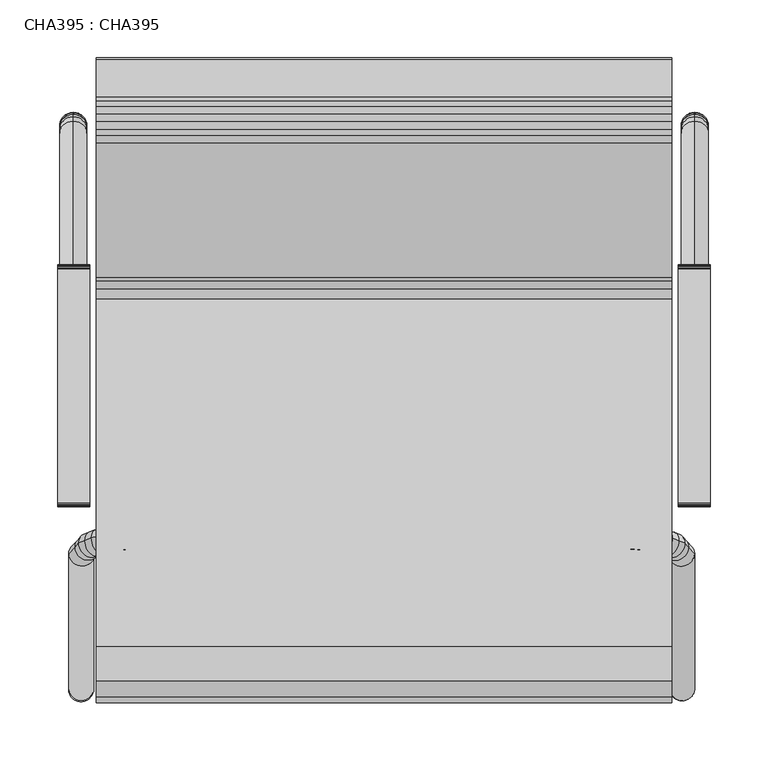
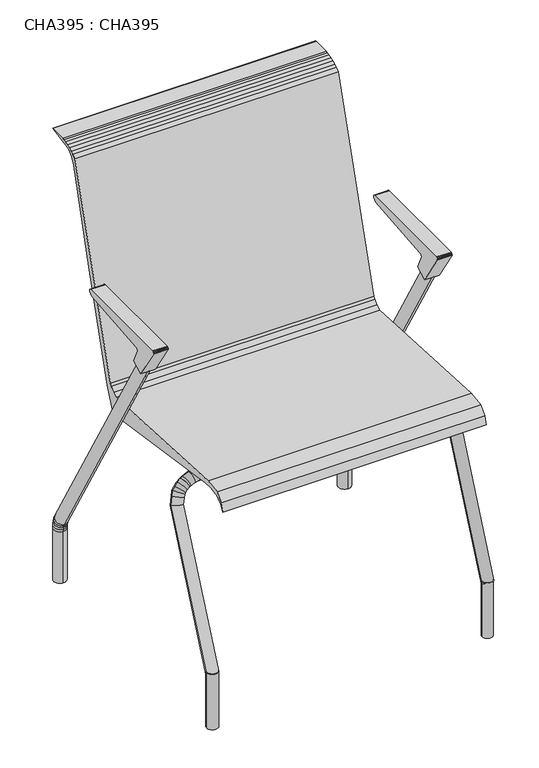
"""IFC4 building model written with IfcOpenShell, lengths in millimetres: proxy geometry, CHA395 : CHA395."""

from ifc_helpers import new_model, si_unit, point, frame, frame_2d, origin, origin_with_axes, place, context, project, spatial, polyline, circle_curve, ellipse_curve, trimmed, segment, composite_curve, outline, extrude, source, transform, mapped, element, save
from ifc_brep_helpers import plane_surface, cylinder_surface, advanced_brep


def cha395_cha395_3f4ad33f(model_context):
    return source(origin(), model_context, "Body", "SolidModel", [
        extrude(outline(composite_curve([segment(trimmed(circle_curve(frame_2d((111.8394753, -414.0151741)), 10.0), [point((101.8394753, -414.0151741))], [point((121.8394753, -414.0151741))], False, "CARTESIAN"), True, "CONTINUOUS"), segment(trimmed(circle_curve(frame_2d((111.8394753, -414.0151741)), 10.0), [point((121.8394753, -414.0151741))], [point((101.8394753, -414.0151741))], False, "CARTESIAN"), True, "CONTINUOUS")], self_intersect=False)), frame((0.0, 0.0, 400.2739092), z_axis=(0.0, 0.0, 1.0), x_axis=(1.0, 0.0, 0.0)), (0.0, 0.0, 1.0), 40.6292476),
        extrude(outline(composite_curve([segment(trimmed(circle_curve(frame_2d((435.0512571, -414.0151741)), 10.0), [point((425.0512571, -414.0151741))], [point((445.0512571, -414.0151741))], False, "CARTESIAN"), True, "CONTINUOUS"), segment(trimmed(circle_curve(frame_2d((435.0512571, -414.0151741)), 10.0), [point((445.0512571, -414.0151741))], [point((425.0512571, -414.0151741))], False, "CARTESIAN"), True, "CONTINUOUS")], self_intersect=False)), frame((0.0, 0.0, 400.2739092), z_axis=(0.0, 0.0, 1.0), x_axis=(1.0, 0.0, 0.0)), (0.0, 0.0, 1.0), 40.6292476),
        extrude(outline(polyline([(-387.6784376, 651.5712615), (-387.6784376, 652.4841024), (-387.3038356, 653.8821361), (-386.4541188, 655.0956575), (-385.3757191, 655.7959784), (-384.1378955, 656.0142401), (-182.5201165, 656.0142401), (-181.5379537, 655.8201439), (-180.4066456, 655.1080507), (-179.5915245, 654.0311543), (-179.2626747, 652.7468576), (-179.2090079, 651.7197401), (-179.8984248, 651.2889446), (-186.602485, 644.5848844), (-329.8258983, 631.5995293), (-332.3579088, 630.9210791), (-335.0999856, 629.6424277), (-335.7955056, 627.0467118), (-323.1169577, 599.8574782), (-345.6475804, 586.8494171), (-387.6784376, 651.5712615)])), frame((-5.5358439, 0.0, 0.0), z_axis=(1.0, 0.0, 0.0), x_axis=(0.0, 1.0, 0.0)), (0.0, 0.0, 1.0), 27.5109316),
        extrude(outline(polyline([(-387.6784376, 651.5712615), (-387.6784376, 652.4841024), (-387.3038356, 653.8821361), (-386.4541188, 655.0956575), (-385.3757191, 655.7959784), (-384.1378955, 656.0142401), (-182.5201165, 656.0142401), (-181.5379537, 655.8201439), (-180.4066456, 655.1080507), (-179.5915245, 654.0311543), (-179.2626747, 652.7468576), (-179.2090079, 651.7197401), (-179.8984248, 651.2889446), (-186.602485, 644.5848844), (-329.8258983, 631.5995293), (-332.3579088, 630.9210791), (-335.0999856, 629.6424277), (-335.7955056, 627.0467118), (-323.1169577, 599.8574782), (-345.6475804, 586.8494171), (-387.6784376, 651.5712615)])), frame((529.0605387, 0.0, 0.0), z_axis=(1.0, 0.0, 0.0), x_axis=(0.0, 1.0, 0.0)), (0.0, 0.0, 1.0), 27.5109316),
        extrude(outline(composite_curve([segment(trimmed(circle_curve(frame_2d((14.2086526, -545.115929)), 10.5972743), [point((3.6113782, -545.115929))], [point((24.8059269, -545.115929))], False, "CARTESIAN"), True, "CONTINUOUS"), segment(trimmed(circle_curve(frame_2d((14.2086526, -545.115929)), 10.5972743), [point((24.8059269, -545.115929))], [point((3.6113782, -545.115929))], False, "CARTESIAN"), True, "CONTINUOUS")], self_intersect=False)), origin_with_axes(), (0.0, 0.0, 1.0), 110.3968067),
        extrude(outline(composite_curve([segment(trimmed(circle_curve(frame_2d((532.177769, -544.8152212)), 10.0), [point((522.177769, -544.8152212))], [point((542.177769, -544.8152212))], False, "CARTESIAN"), True, "CONTINUOUS"), segment(trimmed(circle_curve(frame_2d((532.177769, -544.8152212)), 10.0), [point((542.177769, -544.8152212))], [point((522.177769, -544.8152212))], False, "CARTESIAN"), True, "CONTINUOUS")], self_intersect=False)), origin_with_axes(), (0.0, 0.0, 1.0), 110.3968067),
        advanced_brep(
        [(3.6127414, -544.9917249, 106.1664764), (25.2849357, -544.9917249, 106.1664764), (3.6127414, -428.1335099, 371.794054), (25.2849357, -429.6723345, 368.2961889), (8.7203208, -422.4826214, 384.6389517), (29.0855219, -425.4674682, 377.8541687), (11.9602614, -418.8980382, 392.7869808), (30.6821891, -423.7009585, 381.8695791), (17.1944814, -416.7902865, 397.5780601), (32.5190369, -422.961284, 383.5509153), (22.9055434, -414.4905168, 402.805611), (36.2125829, -421.4739415, 386.9317575), (30.5640939, -412.7099698, 406.8529292), (41.4001911, -420.2678673, 389.6732555), (34.4773244, -411.8001775, 408.9209561), (43.6713756, -419.7398365, 390.8735096), (46.7210949, -410.0056565, 413.0000382), (52.3516976, -418.4675961, 393.7654085), (59.1008175, -409.1266397, 414.99811), (60.9968888, -417.8537481, 395.1607315), (273.4453662, -409.1266397, 414.99811), (273.4453662, -417.8537481, 395.1607315), (487.7899149, -409.1266397, 414.99811), (485.8938436, -417.8537481, 395.1607315), (500.1696375, -410.0056565, 413.0000382), (494.5390348, -418.4675961, 393.7654085), (512.4134081, -411.8001775, 408.9209561), (503.2193568, -419.7398365, 390.8735096), (516.3266385, -412.7099698, 406.8529292), (505.4905413, -420.2678673, 389.6732555), (523.985189, -414.4905168, 402.805611), (510.6781495, -421.4739415, 386.9317575), (529.696251, -416.7902865, 397.5780601), (514.3716955, -422.961284, 383.5509153), (534.930471, -418.8980382, 392.7869808), (516.2085433, -423.7009585, 381.8695791), (538.1704116, -422.4826214, 384.6389517), (517.8052105, -425.4674682, 377.8541687), (543.277991, -428.1335099, 371.794054), (521.6057967, -429.6723345, 368.2961889), (543.277991, -544.9917249, 106.1664764), (521.6057967, -544.9917249, 106.1664764)],
        [
            (0, 1, circle_curve(frame((14.4488386, -544.9917249, 106.1664764), z_axis=(0.0, -0.40268688098062316, -0.9153377933233706), x_axis=(1.0, 0.0, 0.0)), 10.8360971)),
            (1, 0, circle_curve(frame((14.4488386, -544.9917249, 106.1664764), z_axis=(0.0, -0.40268688098062316, -0.9153377933233706), x_axis=(1.0, 0.0, 0.0)), 10.8360971)),
            (0, 2),
            (2, 3, ellipse_curve(frame((14.4488386, -428.9029222, 370.0451214), z_axis=(-0.17364817766693091, -0.39656916242602075, -0.901431755489942), x_axis=(0.9848077530122084, -0.06992584305267159, -0.15894673976026855)), 11.0032614, 10.8360971)),
            (3, 1),
            (3, 2, ellipse_curve(frame((14.4488386, -428.9029222, 370.0451214), z_axis=(-0.17364817766693091, -0.39656916242602075, -0.901431755489942), x_axis=(0.9848077530122084, -0.06992584305267159, -0.15894673976026855)), 11.0032614, 10.8360971)),
            (2, 4),
            (4, 5, circle_curve(frame((18.9029214, -423.9750448, 381.2465602), z_axis=(-0.34202014332566866, -0.37840189054478257, -0.8601361699124295), x_axis=(0.9396926207859084, -0.13772702474836454, -0.3130639632638581)), 10.8360971)),
            (5, 3),
            (5, 4, circle_curve(frame((18.9029214, -423.9750448, 381.2465602), z_axis=(-0.34202014332566866, -0.37840189054478257, -0.8601361699124295), x_axis=(0.9396926207859084, -0.13772702474836454, -0.3130639632638581)), 10.8360971)),
            (4, 6),
            (6, 7, ellipse_curve(frame((21.3212252, -421.2994984, 387.3282799), z_axis=(-0.5372996083468234, -0.3396226707601259, -0.7719880649181756), x_axis=(0.843391445812886, -0.2163635034372997, -0.49181063785768925)), 11.0991923, 10.8360971)),
            (7, 5),
            (7, 6, ellipse_curve(frame((21.3212252, -421.2994984, 387.3282799), z_axis=(-0.5372996083468234, -0.3396226707601259, -0.7719880649181756), x_axis=(0.843391445812886, -0.2163635034372997, -0.49181063785768925)), 11.0991923, 10.8360971)),
            (6, 8),
            (8, 9, circle_curve(frame((24.8567591, -419.8757853, 390.5644877), z_axis=(-0.7071067811865455, -0.2847426242362548, -0.6472415607352899), x_axis=(0.7071067811865496, -0.2847426242362617, -0.6472415607352823)), 10.8360971)),
            (9, 7),
            (9, 8, circle_curve(frame((24.8567591, -419.8757853, 390.5644877), z_axis=(-0.7071067811865455, -0.2847426242362548, -0.6472415607352899), x_axis=(0.7071067811865496, -0.2847426242362617, -0.6472415607352823)), 10.8360971)),
            (8, 10),
            (10, 11, ellipse_curve(frame((29.5590631, -417.9822291, 394.8686843), z_axis=(-0.7933533402912336, -0.24514024110882496, -0.5572223430892281), x_axis=(0.6087614290087241, -0.31947298211744185, -0.7261862958278991)), 10.9296014, 10.8360971)),
            (11, 9),
            (11, 10, ellipse_curve(frame((29.5590631, -417.9822291, 394.8686843), z_axis=(-0.7933533402912336, -0.24514024110882496, -0.5572223430892281), x_axis=(0.6087614290087241, -0.31947298211744185, -0.7261862958278991)), 10.9296014, 10.8360971)),
            (10, 12),
            (12, 13, circle_curve(frame((35.9821425, -416.4889186, 398.2630924), z_axis=(-0.866025403784437, -0.20134344049030725, -0.45766889666169025), x_axis=(0.5000000000000028, -0.348737068699942, -0.7927057820620265)), 10.8360971)),
            (13, 11),
            (13, 12, circle_curve(frame((35.9821425, -416.4889186, 398.2630924), z_axis=(-0.866025403784437, -0.20134344049030725, -0.45766889666169025), x_axis=(0.5000000000000028, -0.348737068699942, -0.7927057820620265)), 10.8360971)),
            (12, 14),
            (14, 15, ellipse_curve(frame((39.07435, -415.770007, 399.8972329), z_axis=(-0.90630778703665, -0.17018282966580953, -0.3868384671198925), x_axis=(0.4226182617406987, -0.3649582559702482, -0.829577769857911)), 10.8774893, 10.8360971)),
            (15, 13),
            (15, 14, ellipse_curve(frame((39.07435, -415.770007, 399.8972329), z_axis=(-0.90630778703665, -0.17018282966580953, -0.3868384671198925), x_axis=(0.4226182617406987, -0.3649582559702482, -0.829577769857911)), 10.8774893, 10.8360971)),
            (14, 16),
            (16, 17, ellipse_curve(frame((49.5363963, -414.2366263, 403.3827233), z_axis=(-0.9659258262890679, -0.10422303401071223, -0.23690685361420732), x_axis=(0.2588190451025222, -0.3889656582469731, -0.8841484143494901)), 10.8774893, 10.8360971)),
            (17, 15),
            (17, 16, ellipse_curve(frame((49.5363963, -414.2366263, 403.3827233), z_axis=(-0.9659258262890679, -0.10422303401071223, -0.23690685361420732), x_axis=(0.2588190451025222, -0.3889656582469731, -0.8841484143494901)), 10.8774893, 10.8360971)),
            (16, 18),
            (18, 19, ellipse_curve(frame((60.0488532, -413.4901939, 405.0794207), z_axis=(-0.9961946980917454, -0.035096474206598796, -0.07977694524210394), x_axis=(0.08715574274765721, -0.401154535823999, -0.9118546566717396)), 10.8774893, 10.8360971)),
            (19, 17),
            (19, 18, ellipse_curve(frame((60.0488532, -413.4901939, 405.0794207), z_axis=(-0.9961946980917454, -0.035096474206598796, -0.07977694524210394), x_axis=(0.08715574274765721, -0.401154535823999, -0.9118546566717396)), 10.8774893, 10.8360971)),
            (18, 20),
            (20, 21, circle_curve(frame((273.4453662, -413.4901939, 405.0794207), z_axis=(-1.0, 0.0, 0.0), x_axis=(0.0, -0.4026868809806225, -0.915337793323371)), 10.8360971)),
            (21, 19),
            (21, 20, circle_curve(frame((273.4453662, -413.4901939, 405.0794207), z_axis=(-1.0, 0.0, 0.0), x_axis=(0.0, -0.4026868809806225, -0.915337793323371)), 10.8360971)),
            (20, 22),
            (22, 23, ellipse_curve(frame((486.8418792, -413.4901939, 405.0794207), z_axis=(-0.9961946980917449, 0.03509647420661226, 0.07977694524210434), x_axis=(-0.08715574274766612, -0.40115453582399785, -0.9118546566717393)), 10.8774893, 10.8360971)),
            (23, 21),
            (23, 22, ellipse_curve(frame((486.8418792, -413.4901939, 405.0794207), z_axis=(-0.9961946980917449, 0.03509647420661226, 0.07977694524210434), x_axis=(-0.08715574274766612, -0.40115453582399785, -0.9118546566717393)), 10.8774893, 10.8360971)),
            (22, 24),
            (24, 25, ellipse_curve(frame((497.3543361, -414.2366263, 403.3827233), z_axis=(-0.9659258262890663, 0.10422303401072526, 0.23690685361420777), x_axis=(-0.25881904510252857, -0.38896565824696916, -0.8841484143494899)), 10.8774893, 10.8360971)),
            (25, 23),
            (25, 24, ellipse_curve(frame((497.3543361, -414.2366263, 403.3827233), z_axis=(-0.9659258262890663, 0.10422303401072526, 0.23690685361420777), x_axis=(-0.25881904510252857, -0.38896565824696916, -0.8841484143494899)), 10.8774893, 10.8360971)),
            (24, 26),
            (26, 27, ellipse_curve(frame((507.8163825, -415.770007, 399.8972329), z_axis=(-0.9063077870366476, 0.17018282966582174, 0.38683846711989306), x_axis=(-0.4226182617407027, -0.3649582559702427, -0.8295777698579114)), 10.8774893, 10.8360971)),
            (27, 25),
            (27, 26, ellipse_curve(frame((507.8163825, -415.770007, 399.8972329), z_axis=(-0.9063077870366476, 0.17018282966582174, 0.38683846711989306), x_axis=(-0.4226182617407027, -0.3649582559702427, -0.8295777698579114)), 10.8774893, 10.8360971)),
            (26, 28),
            (28, 29, circle_curve(frame((510.9085899, -416.4889186, 398.2630924), z_axis=(-0.866025403784437, 0.20134344049031783, 0.45766889666168564), x_axis=(-0.5000000000000028, -0.3487370686999362, -0.792705782062029)), 10.8360971)),
            (29, 27),
            (29, 28, circle_curve(frame((510.9085899, -416.4889186, 398.2630924), z_axis=(-0.866025403784437, 0.20134344049031783, 0.45766889666168564), x_axis=(-0.5000000000000028, -0.3487370686999362, -0.792705782062029)), 10.8360971)),
            (28, 30),
            (30, 31, ellipse_curve(frame((517.3316693, -417.9822291, 394.8686843), z_axis=(-0.79335334029123, 0.24514024110883548, 0.5572223430892286), x_axis=(-0.608761429008727, -0.31947298211743314, -0.7261862958279003)), 10.9296014, 10.8360971)),
            (31, 29),
            (31, 30, ellipse_curve(frame((517.3316693, -417.9822291, 394.8686843), z_axis=(-0.79335334029123, 0.24514024110883548, 0.5572223430892286), x_axis=(-0.608761429008727, -0.31947298211743314, -0.7261862958279003)), 10.9296014, 10.8360971)),
            (30, 32),
            (32, 33, circle_curve(frame((522.0339733, -419.8757853, 390.5644877), z_axis=(-0.707106781186542, 0.28474262423626495, 0.6472415607352893), x_axis=(-0.7071067811865531, -0.28474262423625196, -0.6472415607352828)), 10.8360971)),
            (33, 31),
            (33, 32, circle_curve(frame((522.0339733, -419.8757853, 390.5644877), z_axis=(-0.707106781186542, 0.28474262423626495, 0.6472415607352893), x_axis=(-0.7071067811865531, -0.28474262423625196, -0.6472415607352828)), 10.8360971)),
            (32, 34),
            (34, 35, ellipse_curve(frame((525.5695072, -421.2994984, 387.3282799), z_axis=(-0.5372996083468184, 0.3396226707601329, 0.7719880649181758), x_axis=(-0.8433914458128896, -0.21636350343728797, -0.49181063785768825)), 11.0991923, 10.8360971)),
            (35, 33),
            (35, 34, ellipse_curve(frame((525.5695072, -421.2994984, 387.3282799), z_axis=(-0.5372996083468184, 0.3396226707601329, 0.7719880649181758), x_axis=(-0.8433914458128896, -0.21636350343728797, -0.49181063785768825)), 11.0991923, 10.8360971)),
            (34, 36),
            (36, 37, circle_curve(frame((527.9878111, -423.9750448, 381.2465602), z_axis=(-0.34202014332566505, 0.37840189054478734, 0.8601361699124288), x_axis=(-0.9396926207859098, -0.13772702474835194, -0.31306396326385966)), 10.8360971)),
            (37, 35),
            (37, 36, circle_curve(frame((527.9878111, -423.9750448, 381.2465602), z_axis=(-0.34202014332566505, 0.37840189054478734, 0.8601361699124288), x_axis=(-0.9396926207859098, -0.13772702474835194, -0.31306396326385966)), 10.8360971)),
            (36, 38),
            (38, 39, ellipse_curve(frame((532.4418938, -428.9029222, 370.0451214), z_axis=(-0.17364817766692486, 0.39656916242602247, 0.9014317554899424), x_axis=(-0.984807753012209, -0.06992584305265814, -0.1589467397602704)), 11.0032614, 10.8360971)),
            (39, 37),
            (39, 38, ellipse_curve(frame((532.4418938, -428.9029222, 370.0451214), z_axis=(-0.17364817766692486, 0.39656916242602247, 0.9014317554899424), x_axis=(-0.984807753012209, -0.06992584305265814, -0.1589467397602704)), 11.0032614, 10.8360971)),
            (40, 41, circle_curve(frame((532.4418938, -544.9917249, 106.1664764), z_axis=(0.0, -0.40268688098062244, -0.915337793323371), x_axis=(-1.0, 0.0, 0.0)), 10.8360971)),
            (41, 40, circle_curve(frame((532.4418938, -544.9917249, 106.1664764), z_axis=(0.0, -0.40268688098062244, -0.915337793323371), x_axis=(-1.0, 0.0, 0.0)), 10.8360971)),
            (38, 40),
            (41, 39),
        ],
        [
            plane_surface(frame((14.4488386, -777.5071949, 208.4575978), z_axis=(0.0, -0.40268688098062316, -0.9153377933233706), x_axis=(0.0, 0.9153377933233706, -0.40268688098062316))),
            cylinder_surface(frame((14.4488386, -544.9917249, 106.1664764), z_axis=(0.0, -0.40268688098062316, -0.9153377933233706), x_axis=(1.0, 0.0, 0.0)), 10.8360971),
            cylinder_surface(frame((14.4488386, -428.9029222, 370.0451214), z_axis=(-0.34202014332566866, -0.37840189054478257, -0.8601361699124295), x_axis=(0.9396926207859084, -0.13772702474836454, -0.3130639632638581)), 10.8360971),
            cylinder_surface(frame((18.9029214, -423.9750448, 381.2465602), z_axis=(-0.3420201433256706, -0.37840189054478296, -0.8601361699124285), x_axis=(0.9396926207859078, -0.13772702474836532, -0.3130639632638599)), 10.8360971),
            cylinder_surface(frame((21.3212252, -421.2994984, 387.3282799), z_axis=(-0.7071067811865455, -0.2847426242362548, -0.6472415607352899), x_axis=(0.7071067811865496, -0.2847426242362617, -0.6472415607352823)), 10.8360971),
            cylinder_surface(frame((24.8567591, -419.8757853, 390.5644877), z_axis=(-0.707106781186546, -0.2847426242362556, -0.6472415607352889), x_axis=(0.707106781186549, -0.28474262423626184, -0.6472415607352828)), 10.8360971),
            cylinder_surface(frame((29.5590631, -417.9822291, 394.8686843), z_axis=(-0.866025403784437, -0.20134344049030725, -0.45766889666169025), x_axis=(0.5000000000000028, -0.348737068699942, -0.7927057820620265)), 10.8360971),
            cylinder_surface(frame((35.9821425, -416.4889186, 398.2630924), z_axis=(-0.8660254037844402, -0.20134344049030622, -0.4576688966616852), x_axis=(0.4999999999999978, -0.3487370686999433, -0.7927057820620294)), 10.8360971),
            cylinder_surface(frame((39.07435, -415.770007, 399.8972329), z_axis=(-0.9396926207859075, -0.13772702474835405, -0.313063963263865), x_axis=(0.3420201433256707, -0.37840189054478607, -0.8601361699124269)), 10.8360971),
            cylinder_surface(frame((49.5363963, -414.2366263, 403.3827233), z_axis=(-0.9848077530122079, -0.06992584305266032, -0.15894673976027623), x_axis=(0.17364817766693166, -0.39656916242602225, -0.9014317554899411)), 10.8360971),
            cylinder_surface(frame((60.0488532, -413.4901939, 405.0794207), z_axis=(-1.0000000000000002, 0.0, 0.0), x_axis=(0.0, -0.4026868809806225, -0.915337793323371)), 10.8360971),
            cylinder_surface(frame((273.4453662, -413.4901939, 405.0794207), z_axis=(-1.0000000000000002, 0.0, 0.0), x_axis=(0.0, -0.4026868809806225, -0.915337793323371)), 10.8360971),
            cylinder_surface(frame((486.8418792, -413.4901939, 405.0794207), z_axis=(-0.9848077530122069, 0.06992584305267364, 0.15894673976027665), x_axis=(-0.1736481776669374, -0.3965691624260198, -0.901431755489941)), 10.8360971),
            cylinder_surface(frame((497.3543361, -414.2366263, 403.3827233), z_axis=(-0.9396926207859058, 0.13772702474836673, 0.31306396326386554), x_axis=(-0.34202014332567626, -0.3784018905447812, -0.8601361699124269)), 10.8360971),
            cylinder_surface(frame((507.8163825, -415.770007, 399.8972329), z_axis=(-0.866025403784437, 0.20134344049031783, 0.45766889666168564), x_axis=(-0.5000000000000028, -0.3487370686999362, -0.792705782062029)), 10.8360971),
            cylinder_surface(frame((510.9085899, -416.4889186, 398.2630924), z_axis=(-0.8660254037844342, 0.2013434404903189, 0.45766889666169086), x_axis=(-0.500000000000008, -0.348737068699935, -0.7927057820620264)), 10.8360971),
            cylinder_surface(frame((517.3316693, -417.9822291, 394.8686843), z_axis=(-0.707106781186542, 0.28474262423626495, 0.6472415607352893), x_axis=(-0.7071067811865531, -0.28474262423625196, -0.6472415607352828)), 10.8360971),
            cylinder_surface(frame((522.0339733, -419.8757853, 390.5644877), z_axis=(-0.7071067811865414, 0.28474262423626406, 0.6472415607352902), x_axis=(-0.7071067811865537, -0.28474262423625174, -0.6472415607352823)), 10.8360971),
            cylinder_surface(frame((525.5695072, -421.2994984, 387.3282799), z_axis=(-0.34202014332566505, 0.37840189054478734, 0.8601361699124288), x_axis=(-0.9396926207859098, -0.13772702474835194, -0.31306396326385966)), 10.8360971),
            cylinder_surface(frame((527.9878111, -423.9750448, 381.2465602), z_axis=(-0.34202014332566294, 0.3784018905447868, 0.8601361699124298), x_axis=(-0.9396926207859105, -0.13772702474835113, -0.31306396326385777)), 10.8360971),
            plane_surface(frame((532.4418938, -777.5071949, 208.4575978), z_axis=(0.0, -0.40268688098062244, -0.9153377933233708), x_axis=(0.0, 0.9153377933233708, -0.40268688098062244))),
            cylinder_surface(frame((532.4418938, -428.9029222, 370.0451214), z_axis=(0.0, 0.40268688098062244, 0.915337793323371), x_axis=(-1.0, 0.0, 0.0)), 10.8360971),
        ],
        [
            (0, [[1, 2]]),
            (1, [[-1, 3, 4, 5]]),
            (1, [[-2, -5, 6, -3]]),
            (2, [[-4, 7, 8, 9]]),
            (2, [[-6, -9, 10, -7]]),
            (3, [[-8, 11, 12, 13]]),
            (3, [[-10, -13, 14, -11]]),
            (4, [[-12, 15, 16, 17]]),
            (4, [[-14, -17, 18, -15]]),
            (5, [[-16, 19, 20, 21]]),
            (5, [[-18, -21, 22, -19]]),
            (6, [[-20, 23, 24, 25]]),
            (6, [[-22, -25, 26, -23]]),
            (7, [[-24, 27, 28, 29]]),
            (7, [[-26, -29, 30, -27]]),
            (8, [[-28, 31, 32, 33]]),
            (8, [[-30, -33, 34, -31]]),
            (9, [[-32, 35, 36, 37]]),
            (9, [[-34, -37, 38, -35]]),
            (10, [[-36, 39, 40, 41]]),
            (10, [[-38, -41, 42, -39]]),
            (11, [[-40, 43, 44, 45]]),
            (11, [[-42, -45, 46, -43]]),
            (12, [[-44, 47, 48, 49]]),
            (12, [[-46, -49, 50, -47]]),
            (13, [[-48, 51, 52, 53]]),
            (13, [[-50, -53, 54, -51]]),
            (14, [[-52, 55, 56, 57]]),
            (14, [[-54, -57, 58, -55]]),
            (15, [[-56, 59, 60, 61]]),
            (15, [[-58, -61, 62, -59]]),
            (16, [[-60, 63, 64, 65]]),
            (16, [[-62, -65, 66, -63]]),
            (17, [[-64, 67, 68, 69]]),
            (17, [[-66, -69, 70, -67]]),
            (18, [[-68, 71, 72, 73]]),
            (18, [[-70, -73, 74, -71]]),
            (19, [[-72, 75, 76, 77]]),
            (19, [[-74, -77, 78, -75]]),
            (20, [[79, 80]]),
            (21, [[-76, 81, -80, 82]]),
            (21, [[-78, -82, -79, -81]]),
        ],
    ),
        advanced_brep(
        [(7.631066, -325.3417086, 598.8146123), (7.631066, -345.76169, 587.0251305), (7.631066, -75.76169, 119.3714125), (7.631066, -55.3417086, 131.1608942), (7.631066, -73.406286, 115.291733), (7.631066, -51.4341899, 124.3928732), (7.631066, -72.4611843, 111.7645657), (7.631066, -49.4725441, 117.0719115), (7.631066, -71.5839286, 107.2514763), (7.631066, -48.2023904, 110.5375372), (7.631066, -71.1759504, 102.5882643), (7.631066, -47.596987, 103.617744), (7.631066, -47.596987, 0.0), (7.631066, -71.1759504, 0.0)],
        [
            (0, 1, circle_curve(frame((7.631066, -335.5516993, 592.9198714), z_axis=(0.0, -0.49999999999999833, 0.8660254037844397), x_axis=(0.0, -0.8660254037844397, -0.49999999999999833)), 11.7894817)),
            (1, 0, circle_curve(frame((7.631066, -335.5516993, 592.9198714), z_axis=(0.0, -0.49999999999999833, 0.8660254037844397), x_axis=(0.0, -0.8660254037844397, -0.49999999999999833)), 11.7894817)),
            (1, 2),
            (2, 3, circle_curve(frame((7.631066, -65.5516993, 125.2661534), z_axis=(0.0, -0.49999999999999833, 0.8660254037844397), x_axis=(0.0, -0.8660254037844397, -0.49999999999999833)), 11.7894817)),
            (3, 0),
            (3, 2, circle_curve(frame((7.631066, -65.5516993, 125.2661534), z_axis=(0.0, -0.49999999999999833, 0.8660254037844397), x_axis=(0.0, -0.8660254037844397, -0.49999999999999833)), 11.7894817)),
            (2, 4),
            (4, 5, ellipse_curve(frame((7.631066, -62.4202379, 119.8423031), z_axis=(0.0, -0.3826834323650882, 0.9238795325112874), x_axis=(0.0, -0.9238795325112873, -0.38268343236508845)), 11.8912127, 11.7894817)),
            (5, 3),
            (5, 4, ellipse_curve(frame((7.631066, -62.4202379, 119.8423031), z_axis=(0.0, -0.3826834323650882, 0.9238795325112874), x_axis=(0.0, -0.9238795325112873, -0.38268343236508845)), 11.8912127, 11.7894817)),
            (4, 6),
            (6, 7, ellipse_curve(frame((7.631066, -60.9668642, 114.4182386), z_axis=(0.0, -0.22495105434386534, 0.9743700647852351), x_axis=(0.0, -0.974370064785235, -0.22495105434386548)), 11.796668, 11.7894817)),
            (7, 5),
            (7, 6, ellipse_curve(frame((7.631066, -60.9668642, 114.4182386), z_axis=(0.0, -0.22495105434386534, 0.9743700647852351), x_axis=(0.0, -0.974370064785235, -0.22495105434386548)), 11.796668, 11.7894817)),
            (6, 8),
            (8, 9, ellipse_curve(frame((7.631066, -59.8931595, 108.8945068), z_axis=(0.0, -0.13917310096006527, 0.9902680687415704), x_axis=(0.0, -0.99026806874157, -0.13917310096006733)), 11.805661, 11.7894817)),
            (9, 7),
            (9, 8, ellipse_curve(frame((7.631066, -59.8931595, 108.8945068), z_axis=(0.0, -0.13917310096006527, 0.9902680687415704), x_axis=(0.0, -0.99026806874157, -0.13917310096006733)), 11.805661, 11.7894817)),
            (8, 10),
            (10, 11, ellipse_curve(frame((7.631066, -59.3864687, 103.1030041), z_axis=(0.0, -0.04361938736533451, 0.9990482215818578), x_axis=(0.0, -0.999048221581858, -0.043619387365332836)), 11.8007134, 11.7894817)),
            (11, 9),
            (11, 10, ellipse_curve(frame((7.631066, -59.3864687, 103.1030041), z_axis=(0.0, -0.04361938736533451, 0.9990482215818578), x_axis=(0.0, -0.999048221581858, -0.043619387365332836)), 11.8007134, 11.7894817)),
            (12, 13, circle_curve(frame((7.631066, -59.3864687, 0.0), z_axis=(0.0, 0.0, -1.0), x_axis=(0.0, -1.0, 0.0)), 11.7894817)),
            (13, 12, circle_curve(frame((7.631066, -59.3864687, 0.0), z_axis=(0.0, 0.0, -1.0), x_axis=(0.0, -1.0, 0.0)), 11.7894817)),
            (10, 13),
            (12, 11),
        ],
        [
            plane_surface(frame((7.631066, -334.6288874, 593.4526571), z_axis=(0.0, -0.49999999999999833, 0.8660254037844397), x_axis=(-1.0, 0.0, 0.0))),
            cylinder_surface(frame((7.631066, -335.5516993, 592.9198714), z_axis=(0.0, -0.49999999999999833, 0.8660254037844397), x_axis=(0.0, -0.8660254037844397, -0.49999999999999833)), 11.7894817),
            cylinder_surface(frame((7.631066, -65.5516993, 125.2661534), z_axis=(0.0, -0.49999999999999717, 0.8660254037844404), x_axis=(0.0, -0.8660254037844404, -0.49999999999999717)), 11.7894817),
            cylinder_surface(frame((7.631066, -62.4565464, 119.9778082), z_axis=(0.0, -0.2588190451025208, 0.9659258262890684), x_axis=(0.0, -0.9659258262890684, -0.2588190451025208)), 11.7894817),
            cylinder_surface(frame((7.631066, -60.9739643, 114.4547655), z_axis=(0.0, -0.1908089953765455, 0.981627183447664), x_axis=(0.0, -0.981627183447664, -0.1908089953765455)), 11.7894817),
            cylinder_surface(frame((7.631066, -59.8980267, 108.9501385), z_axis=(0.0, -0.08715574274765717, 0.9961946980917458), x_axis=(0.0, -0.9961946980917458, -0.08715574274765717)), 11.7894817),
            plane_surface(frame((7.631066, -58.3208973, 0.0), z_axis=(0.0, 0.0, -1.0), x_axis=(-1.0, 0.0, 0.0))),
            cylinder_surface(frame((7.631066, -59.3864687, 103.149528), z_axis=(0.0, 0.0, 1.0), x_axis=(0.0, -1.0, 0.0)), 11.7894817),
        ],
        [
            (0, [[1, 2]]),
            (1, [[-2, 3, 4, 5]]),
            (1, [[-1, -5, 6, -3]]),
            (2, [[-4, 7, 8, 9]]),
            (2, [[-6, -9, 10, -7]]),
            (3, [[-8, 11, 12, 13]]),
            (3, [[-10, -13, 14, -11]]),
            (4, [[-12, 15, 16, 17]]),
            (4, [[-14, -17, 18, -15]]),
            (5, [[-16, 19, 20, 21]]),
            (5, [[-18, -21, 22, -19]]),
            (6, [[23, 24]]),
            (7, [[-20, 25, -23, 26]]),
            (7, [[-22, -26, -24, -25]]),
        ],
    ),
        advanced_brep(
        [(543.4045604, -345.76169, 587.0251305), (543.4045604, -325.3417086, 598.8146123), (543.4045604, -75.76169, 119.3714125), (543.4045604, -55.3417086, 131.1608942), (543.4045604, -73.406286, 115.291733), (543.4045604, -51.4341899, 124.3928732), (543.4045604, -72.4611843, 111.7645657), (543.4045604, -49.4725441, 117.0719115), (543.4045604, -71.5839286, 107.2514763), (543.4045604, -48.2023904, 110.5375372), (543.4045604, -71.1759504, 102.5882643), (543.4045604, -47.596987, 103.617744), (543.4045604, -71.1759504, 0.0), (543.4045604, -47.596987, 0.0)],
        [
            (0, 1, circle_curve(frame((543.4045604, -335.5516993, 592.9198714), z_axis=(0.0, -0.5000000000000009, 0.8660254037844383), x_axis=(0.0, 0.8660254037844383, 0.5000000000000009)), 11.7894817)),
            (1, 0, circle_curve(frame((543.4045604, -335.5516993, 592.9198714), z_axis=(0.0, -0.5000000000000009, 0.8660254037844383), x_axis=(0.0, 0.8660254037844383, 0.5000000000000009)), 11.7894817)),
            (0, 2),
            (2, 3, circle_curve(frame((543.4045604, -65.5516993, 125.2661534), z_axis=(0.0, -0.5000000000000009, 0.8660254037844383), x_axis=(0.0, 0.8660254037844383, 0.5000000000000009)), 11.7894817)),
            (3, 1),
            (3, 2, circle_curve(frame((543.4045604, -65.5516993, 125.2661534), z_axis=(0.0, -0.5000000000000009, 0.8660254037844383), x_axis=(0.0, 0.8660254037844383, 0.5000000000000009)), 11.7894817)),
            (2, 4),
            (4, 5, ellipse_curve(frame((543.4045604, -62.4202379, 119.8423031), z_axis=(0.0, -0.38268343236508406, 0.9238795325112892), x_axis=(0.0, -0.9238795325112887, -0.3826834323650849)), 11.8912127, 11.7894817)),
            (5, 3),
            (5, 4, ellipse_curve(frame((543.4045604, -62.4202379, 119.8423031), z_axis=(0.0, -0.38268343236508406, 0.9238795325112892), x_axis=(0.0, -0.9238795325112887, -0.3826834323650849)), 11.8912127, 11.7894817)),
            (4, 6),
            (6, 7, ellipse_curve(frame((543.4045604, -60.9668642, 114.4182386), z_axis=(0.0, -0.22495105434386808, 0.9743700647852345), x_axis=(0.0, -0.9743700647852346, -0.22495105434386745)), 11.796668, 11.7894817)),
            (7, 5),
            (7, 6, ellipse_curve(frame((543.4045604, -60.9668642, 114.4182386), z_axis=(0.0, -0.22495105434386808, 0.9743700647852345), x_axis=(0.0, -0.9743700647852346, -0.22495105434386745)), 11.796668, 11.7894817)),
            (6, 8),
            (8, 9, ellipse_curve(frame((543.4045604, -59.8931595, 108.8945068), z_axis=(0.0, -0.13917310096006658, 0.99026806874157), x_axis=(0.0, -0.9902680687415708, -0.13917310096006252)), 11.805661, 11.7894817)),
            (9, 7),
            (9, 8, ellipse_curve(frame((543.4045604, -59.8931595, 108.8945068), z_axis=(0.0, -0.13917310096006658, 0.99026806874157), x_axis=(0.0, -0.9902680687415708, -0.13917310096006252)), 11.805661, 11.7894817)),
            (8, 10),
            (10, 11, ellipse_curve(frame((543.4045604, -59.3864687, 103.1030041), z_axis=(0.0, -0.04361938736533397, 0.9990482215818578), x_axis=(0.0, -0.9990482215818579, -0.04361938736533261)), 11.8007134, 11.7894817)),
            (11, 9),
            (11, 10, ellipse_curve(frame((543.4045604, -59.3864687, 103.1030041), z_axis=(0.0, -0.04361938736533397, 0.9990482215818578), x_axis=(0.0, -0.9990482215818579, -0.04361938736533261)), 11.8007134, 11.7894817)),
            (12, 13, circle_curve(frame((543.4045604, -59.3864687, 0.0), z_axis=(0.0, 0.0, -1.0), x_axis=(0.0, 1.0, 0.0)), 11.7894817)),
            (13, 12, circle_curve(frame((543.4045604, -59.3864687, 0.0), z_axis=(0.0, 0.0, -1.0), x_axis=(0.0, 1.0, 0.0)), 11.7894817)),
            (10, 12),
            (13, 11),
        ],
        [
            plane_surface(frame((543.4045604, -334.6288874, 593.4526571), z_axis=(0.0, -0.5000000000000009, 0.8660254037844383), x_axis=(1.0, 0.0, 0.0))),
            cylinder_surface(frame((543.4045604, -335.5516993, 592.9198714), z_axis=(0.0, -0.5000000000000009, 0.8660254037844383), x_axis=(0.0, 0.8660254037844383, 0.5000000000000009)), 11.7894817),
            cylinder_surface(frame((543.4045604, -65.5516993, 125.2661534), z_axis=(0.0, -0.49999999999998923, 0.8660254037844449), x_axis=(0.0, 0.8660254037844449, 0.49999999999998923)), 11.7894817),
            cylinder_surface(frame((543.4045604, -62.4565464, 119.9778082), z_axis=(0.0, -0.2588190451025208, 0.9659258262890682), x_axis=(0.0, 0.9659258262890682, 0.2588190451025208)), 11.7894817),
            cylinder_surface(frame((543.4045604, -60.9739643, 114.4547655), z_axis=(0.0, -0.1908089953765509, 0.9816271834476628), x_axis=(0.0, 0.9816271834476628, 0.1908089953765509)), 11.7894817),
            cylinder_surface(frame((543.4045604, -59.8980267, 108.9501385), z_axis=(0.0, -0.08715574274765431, 0.9961946980917459), x_axis=(0.0, 0.9961946980917459, 0.08715574274765431)), 11.7894817),
            plane_surface(frame((543.4045604, -58.3208973, 0.0), z_axis=(0.0, 0.0, -1.0), x_axis=(1.0, 0.0, 0.0))),
            cylinder_surface(frame((543.4045604, -59.3864687, 103.149528), z_axis=(0.0, 0.0, 1.0), x_axis=(0.0, 1.0, 0.0)), 11.7894817),
        ],
        [
            (0, [[1, 2]]),
            (1, [[-1, 3, 4, 5]]),
            (1, [[-2, -5, 6, -3]]),
            (2, [[-4, 7, 8, 9]]),
            (2, [[-6, -9, 10, -7]]),
            (3, [[-8, 11, 12, 13]]),
            (3, [[-10, -13, 14, -11]]),
            (4, [[-12, 15, 16, 17]]),
            (4, [[-14, -17, 18, -15]]),
            (5, [[-16, 19, 20, 21]]),
            (5, [[-18, -21, 22, -19]]),
            (6, [[23, 24]]),
            (7, [[-20, 25, -24, 26]]),
            (7, [[-22, -26, -23, -25]]),
        ],
    ),
        extrude(outline(polyline([(-499.5312981, 451.5758157), (-516.6043893, 452.4705785), (-533.3856205, 450.1121302), (-537.8417975, 448.4902144), (-545.2536945, 443.3003483), (-549.7066838, 439.5638467), (-555.2494123, 428.199569), (-556.7709656, 428.199569), (-551.5848483, 443.488153), (-537.8027639, 457.2702374), (-508.0947218, 461.4454305), (-208.5058614, 445.7446436), (-199.8456074, 450.7446436), (-192.7745396, 457.8157114), (-189.8014789, 462.0616821), (-74.0746656, 838.6664976), (-67.6395159, 843.5157308), (-62.2035971, 846.2854697), (-55.4360651, 849.0197302), (-48.780863, 851.4420256), (-42.5812449, 853.4564037), (-37.7297662, 854.6660131), (-34.0770255, 855.2445504), (-1.8453904, 855.8071557), (-0.8688199, 855.3517734), (-39.7234129, 849.1978105), (-49.9876187, 845.8627678), (-57.2402465, 842.932516), (-63.4098202, 836.7629422), (-69.7923107, 823.0756473), (-118.9988228, 651.4721464), (-180.1624807, 452.4298721), (-199.1321378, 406.8793433), (-499.5312981, 451.5758157)])), frame((27.5902603, 0.0, 0.0), z_axis=(1.0, 0.0, 0.0), x_axis=(0.0, 1.0, 0.0)), (0.0, 0.0, 1.0), 495.8551059),
    ])


if __name__ == "__main__":
    model = new_model("IFC4")
    model_context = context("Model", 3, world=origin())
    ifc_project = project(units=[si_unit("LENGTHUNIT", "METRE", prefix="MILLI")], contexts=[model_context])
    site = spatial("IfcSite", under=ifc_project)
    building = spatial("IfcBuilding", under=site)
    placement = place(None, origin())
    cha395_cha395_shape = cha395_cha395_3f4ad33f(model_context)
    element("IfcBuildingElementProxy", 1, Name="CHA395 : CHA395", ObjectType="CHA395 : CHA395", at=placement, inside=building, context=model_context, shape_type="MappedRepresentation", body=[
        mapped(cha395_cha395_shape, transform((0.0, 0.0, 0.0), x_axis=(1.0, 0.0, 0.0), y_axis=(0.0, 1.0, 0.0), z_axis=(0.0, 0.0, 1.0))),
    ])
    save(model, "model.ifc")
